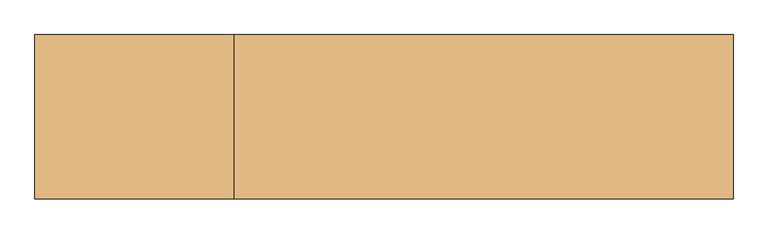
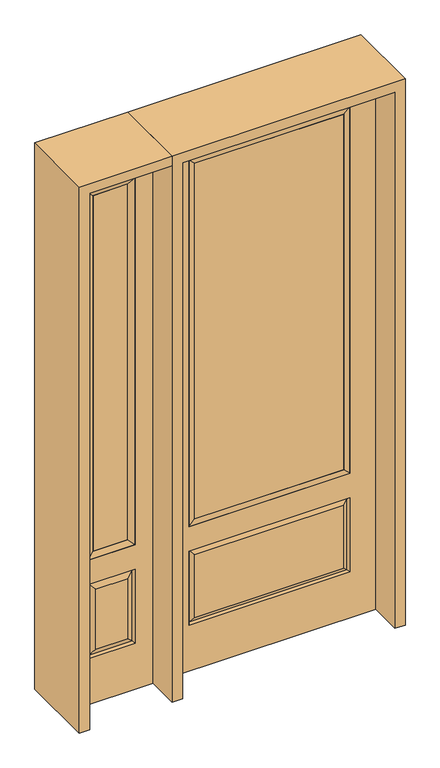
"""IFC4 building model written with IfcOpenShell, lengths in millimetres: door geometry."""

from ifc_helpers import new_model, si_unit, frame, origin, place, context, project, spatial, polyline, outline, extrude, faceted_brep, source, transform, mapped, element, save


def door_13f51d1d(model_context):
    return source(origin(), model_context, "Body", "SolidModel", [
        faceted_brep([(-857.25, -22.225, 0.0), (-501.65, -22.225, 0.0), (-501.65, -22.225, 2438.4), (-857.25, -22.225, 2438.4), (-579.12, -22.225, 2325.624), (-579.12, -22.225, 657.098), (-779.78, -22.225, 657.098), (-779.78, -22.225, 2325.624), (-579.12, -22.225, 209.55), (-779.78, -22.225, 209.55), (-779.78, -22.225, 546.1), (-579.12, -22.225, 546.1), (-748.0648999, -22.225, 241.2651001), (-610.8351001, -22.225, 241.2651001), (-610.8351001, -22.225, 514.3848999), (-748.0648999, -22.225, 514.3848999), (-857.25, 22.225, 0.0), (-857.25, 22.225, 2438.4), (-501.65, 22.225, 2438.4), (-501.65, 22.225, 0.0), (-579.12, 22.225, 2325.624), (-779.78, 22.225, 2325.624), (-779.78, 22.225, 657.098), (-579.12, 22.225, 657.098), (-779.78, 22.225, 209.55), (-579.12, 22.225, 209.55), (-579.12, 22.225, 546.1), (-779.78, 22.225, 546.1), (-610.8351001, 22.225, 241.2651001), (-748.0648999, 22.225, 241.2651001), (-748.0648999, 22.225, 514.3848999), (-610.8351001, 22.225, 514.3848999), (-586.2288501, 12.7912373, 216.6588501), (-772.6711499, 12.7912373, 216.6588501), (-772.6711499, 12.7912373, 538.9911499), (-586.2288501, 12.7912373, 538.9911499), (-772.6711499, -12.7912373, 216.6588501), (-586.2288501, -12.7912373, 216.6588501), (-772.6711499, -12.7912373, 538.9911499), (-586.2288501, -12.7912373, 538.9911499)], [[[0, 1, 2, 3], [4, 5, 6, 7], [8, 9, 10, 11]], [[12, 13, 14, 15]], [[16, 17, 18, 19], [20, 21, 22, 23], [24, 25, 26, 27]], [[28, 29, 30, 31]], [[1, 0, 16, 19]], [[2, 1, 19, 18]], [[3, 2, 18, 17]], [[0, 3, 17, 16]], [[5, 4, 20, 23]], [[6, 5, 23, 22]], [[7, 6, 22, 21]], [[4, 7, 21, 20]], [[32, 33, 29, 28]], [[33, 32, 25, 24]], [[29, 33, 34, 30]], [[33, 24, 27, 34]], [[30, 34, 35, 31]], [[34, 27, 26, 35]], [[32, 28, 31, 35]], [[25, 32, 35, 26]], [[12, 36, 37, 13]], [[37, 36, 9, 8]], [[36, 12, 15, 38]], [[9, 36, 38, 10]], [[38, 15, 14, 39]], [[10, 38, 39, 11]], [[13, 37, 39, 14]], [[37, 8, 11, 39]]]),
        faceted_brep([(-779.78, 22.225, 2325.624), (-779.78, -22.225, 2325.624), (-579.12, -22.225, 2325.624), (-579.12, 22.225, 2325.624), (-754.38, 12.7, 2300.224), (-604.52, 12.7, 2300.224), (-754.38, -12.7, 2300.224), (-604.52, -12.7, 2300.224), (-579.12, -22.225, 657.098), (-579.12, 22.225, 657.098), (-604.52, 12.7, 682.498), (-604.52, -12.7, 682.498), (-779.78, -22.225, 657.098), (-779.78, 22.225, 657.098), (-754.38, 12.7, 682.498), (-754.38, -12.7, 682.498)], [[[0, 1, 2, 3]], [[4, 0, 3, 5]], [[6, 4, 5, 7]], [[1, 6, 7, 2]], [[3, 2, 8, 9]], [[5, 3, 9, 10]], [[7, 5, 10, 11]], [[2, 7, 11, 8]], [[9, 8, 12, 13]], [[10, 9, 13, 14]], [[11, 10, 14, 15]], [[8, 11, 15, 12]], [[13, 12, 1, 0]], [[14, 13, 0, 4]], [[15, 14, 4, 6]], [[12, 15, 6, 1]]]),
        extrude(outline(polyline([(-604.52, -12.7), (-754.38, -12.7), (-754.38, 12.7), (-604.52, 12.7), (-604.52, -12.7)])), frame((0.0, 0.0, 682.498), z_axis=(0.0, 0.0, 1.0), x_axis=(1.0, 0.0, 0.0)), (0.0, 0.0, 1.0), 1617.726),
        extrude(outline(polyline([(320.675, -20.32), (-320.675, -20.32), (-320.675, 5.08), (320.675, 5.08), (320.675, -20.32)])), frame((0.0, 0.0, 682.498), z_axis=(0.0, 0.0, 1.0), x_axis=(1.0, 0.0, 0.0)), (0.0, 0.0, 1.0), 1616.202),
        faceted_brep([(-338.9661499, -12.7912373, 216.6588501), (338.9661499, -12.7912373, 216.6588501), (321.46875, -22.225, 234.15625), (-321.46875, -22.225, 234.15625), (-346.075, -22.225, 209.55), (346.075, -22.225, 209.55), (-338.9661499, -12.7912373, 538.9911499), (-346.075, -22.225, 546.1), (321.46875, -22.225, 521.49375), (-321.46875, -22.225, 521.49375), (457.2, -22.225, 2438.4), (-457.2, -22.225, 2438.4), (-457.2, -22.225, 0.0), (457.2, -22.225, 0.0), (346.075, -22.225, 546.1), (346.075, -22.225, 2324.1), (346.075, -22.225, 657.098), (-346.075, -22.225, 657.098), (-346.075, -22.225, 2324.1), (338.9661499, -12.7912373, 538.9911499), (-457.2, 22.225, 2438.4), (-457.2, 22.225, 0.0), (457.2, 22.225, 0.0), (457.2, 22.225, 2438.4), (346.075, 22.225, 2324.1), (346.075, 22.225, 657.098), (-346.075, 22.225, 657.098), (-346.075, 22.225, 2324.1), (-346.075, 22.225, 209.55), (346.075, 22.225, 209.55), (346.075, 22.225, 546.1), (-346.075, 22.225, 546.1), (321.46875, 22.225, 234.15625), (-321.46875, 22.225, 234.15625), (-321.46875, 22.225, 521.49375), (321.46875, 22.225, 521.49375), (-338.9661499, 12.7912373, 216.6588501), (338.9661499, 12.7912373, 216.6588501), (338.9661499, 12.7912373, 538.9911499), (-338.9661499, 12.7912373, 538.9911499)], [[[0, 1, 2, 3]], [[1, 0, 4, 5]], [[4, 0, 6, 7]], [[3, 2, 8, 9]], [[10, 11, 12, 13], [5, 4, 7, 14], [15, 16, 17, 18]], [[1, 5, 14, 19]], [[2, 1, 19, 8]], [[0, 3, 9, 6]], [[7, 6, 19, 14]], [[6, 9, 8, 19]], [[12, 11, 20, 21]], [[13, 12, 21, 22]], [[10, 13, 22, 23]], [[16, 15, 24, 25]], [[17, 16, 25, 26]], [[18, 17, 26, 27]], [[23, 22, 21, 20], [28, 29, 30, 31], [24, 27, 26, 25]], [[32, 33, 34, 35]], [[28, 36, 37, 29]], [[29, 37, 38, 30]], [[39, 31, 30, 38]], [[36, 28, 31, 39]], [[37, 36, 33, 32]], [[33, 36, 39, 34]], [[34, 39, 38, 35]], [[37, 32, 35, 38]], [[11, 10, 23, 20]], [[15, 18, 27, 24]]]),
        faceted_brep([(-346.075, -22.225, 2324.1), (-346.075, 22.225, 2324.1), (-346.075, 22.225, 657.098), (-346.075, -22.225, 657.098), (346.075, 22.225, 657.098), (346.075, -22.225, 657.098), (-320.675, 5.08, 682.498), (320.675, 5.08, 682.498), (346.075, 22.225, 2324.1), (346.075, -22.225, 2324.1), (-320.675, -20.32, 682.498), (320.675, -20.32, 682.498), (-320.675, -20.32, 2298.7), (320.675, -20.32, 2298.7), (-320.675, 5.08, 2298.7), (320.675, 5.08, 2298.7)], [[[0, 1, 2, 3]], [[3, 2, 4, 5]], [[2, 6, 7, 4]], [[5, 4, 8, 9]], [[10, 3, 5, 11]], [[12, 0, 3, 10]], [[11, 5, 9, 13]], [[6, 10, 11, 7]], [[14, 12, 10, 6]], [[7, 11, 13, 15]], [[1, 14, 6, 2]], [[4, 7, 15, 8]], [[9, 8, 1, 0]], [[13, 9, 0, 12]], [[15, 13, 12, 14]], [[8, 15, 14, 1]]]),
        extrude(outline(polyline([(2438.4, -501.65), (2482.85, -501.65), (2482.85, -901.7), (0.0, -901.7), (0.0, -857.25), (2438.4, -857.25), (2438.4, -501.65)])), frame((0.0, -165.1, 0.0), z_axis=(0.0, 1.0, 0.0), x_axis=(0.0, 0.0, 1.0)), (0.0, 0.0, 1.0), 330.2),
        extrude(outline(polyline([(2482.85, -501.65), (0.0, -501.65), (0.0, -457.2), (2438.4, -457.2), (2438.4, 457.2), (0.0, 457.2), (0.0, 501.65), (2482.85, 501.65), (2482.85, -501.65)])), frame((0.0, -165.1, 0.0), z_axis=(0.0, 1.0, 0.0), x_axis=(0.0, 0.0, 1.0)), (0.0, 0.0, 1.0), 330.2),
    ])


if __name__ == "__main__":
    model = new_model("IFC4")
    model_context = context("Model", 3, world=origin())
    ifc_project = project(units=[si_unit("LENGTHUNIT", "METRE", prefix="MILLI")], contexts=[model_context])
    site = spatial("IfcSite", under=ifc_project)
    building = spatial("IfcBuilding", under=site)
    placement = place(None, origin())
    door_shape = door_13f51d1d(model_context)
    element("IfcDoor", 1, at=placement, inside=building, context=model_context, shape_type="MappedRepresentation", body=[
        mapped(door_shape, transform((0.0, 0.0, 0.0), x_axis=(1.0, 0.0, 0.0), y_axis=(0.0, 1.0, 0.0), z_axis=(0.0, 0.0, 1.0))),
    ])
    save(model, "model.ifc")
